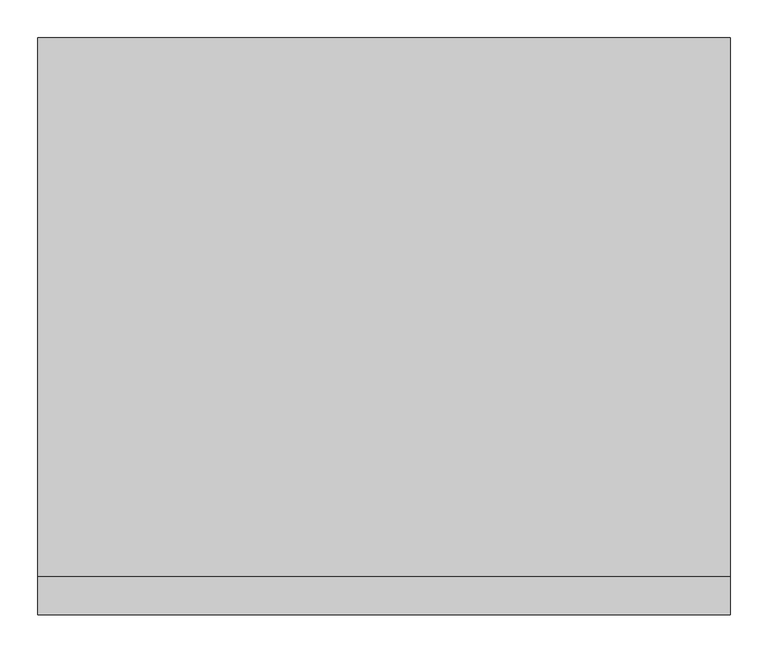
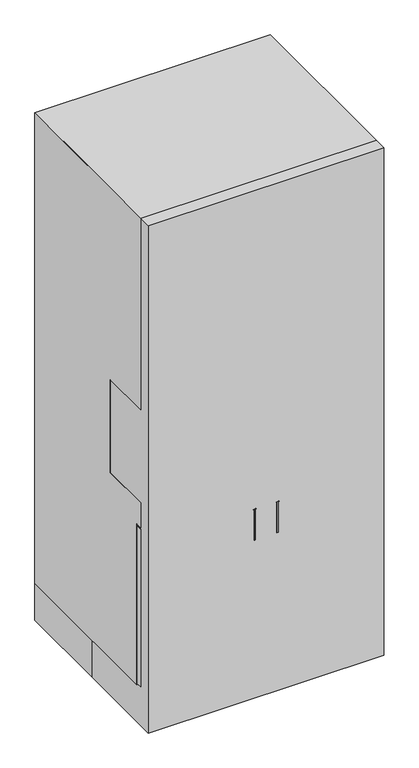
"""IFC4 building model written with IfcOpenShell, lengths in millimetres: proxy geometry."""

from ifc_helpers import new_model, si_unit, point, frame, frame_2d, origin, origin_with_axes, place, context, project, spatial, polyline, circle_curve, ellipse_curve, trimmed, segment, composite_curve, outline, extrude, source, transform, mapped, element, save
from ifc_brep_helpers import plane_surface, cylinder_surface, advanced_brep


def specialty_equipment_507c2deb(model_context):
    return source(origin(), model_context, "Body", "SolidModel", [
        extrude(outline(polyline([(371.717148, -154.5495217), (371.717148, -179.9495217), (143.117148, -179.9495217), (143.117148, -154.5495217), (371.717148, -154.5495217)])), frame((0.0, 0.0, 1168.4), z_axis=(0.0, 0.0, 1.0), x_axis=(1.0, 0.0, 0.0)), (0.0, 0.0, 1.0), 127.0),
        extrude(outline(polyline([(219.317148, -355.6), (143.117148, -355.6), (143.117148, -330.2), (219.317148, -330.2), (219.317148, -355.6)])), frame((0.0, 0.0, 1409.1166832), z_axis=(0.0, 0.0, 1.0), x_axis=(1.0, 0.0, 0.0)), (0.0, 0.0, 1.0), 25.4),
        extrude(outline(polyline([(371.717148, -355.6), (295.517148, -355.6), (295.517148, -330.2), (371.717148, -330.2), (371.717148, -355.6)])), frame((0.0, 0.0, 1409.1166832), z_axis=(0.0, 0.0, 1.0), x_axis=(1.0, 0.0, 0.0)), (0.0, 0.0, 1.0), 25.4),
        advanced_brep(
        [(44.45, -330.2, 749.3), (44.45, -330.2, 774.7), (44.45, -381.0, 774.7), (44.45, -355.6, 749.3), (44.45, -381.0, 647.7), (44.45, -355.6, 673.1), (44.45, -330.2, 673.1), (44.45, -330.2, 647.7)],
        [
            (0, 1, circle_curve(frame((44.45, -330.2, 762.0), z_axis=(0.0, 1.0, 0.0), x_axis=(0.0, 0.0, 1.0)), 12.7)),
            (1, 0, circle_curve(frame((44.45, -330.2, 762.0), z_axis=(0.0, 1.0, 0.0), x_axis=(0.0, 0.0, 1.0)), 12.7)),
            (1, 2),
            (2, 3, ellipse_curve(frame((44.45, -368.3, 762.0), z_axis=(0.0, 0.7071067811865498, 0.7071067811865451), x_axis=(0.0, 0.7071067811865452, -0.7071067811865498)), 17.9605122, 12.7)),
            (3, 0),
            (3, 2, ellipse_curve(frame((44.45, -368.3, 762.0), z_axis=(0.0, 0.7071067811865498, 0.7071067811865451), x_axis=(0.0, 0.7071067811865452, -0.7071067811865498)), 17.9605122, 12.7)),
            (2, 4),
            (4, 5, ellipse_curve(frame((44.45, -368.3, 660.4), z_axis=(0.0, -0.7071067811865451, 0.7071067811865498), x_axis=(0.0, 0.7071067811865497, 0.7071067811865452)), 17.9605122, 12.7)),
            (5, 3),
            (5, 4, ellipse_curve(frame((44.45, -368.3, 660.4), z_axis=(0.0, -0.7071067811865451, 0.7071067811865498), x_axis=(0.0, 0.7071067811865497, 0.7071067811865452)), 17.9605122, 12.7)),
            (6, 7, circle_curve(frame((44.45, -330.2, 660.4), z_axis=(0.0, 1.0, 0.0), x_axis=(0.0, 0.0, -1.0)), 12.7)),
            (7, 6, circle_curve(frame((44.45, -330.2, 660.4), z_axis=(0.0, 1.0, 0.0), x_axis=(0.0, 0.0, -1.0)), 12.7)),
            (4, 7),
            (6, 5),
        ],
        [
            plane_surface(frame((0.0, -330.2, 762.0), z_axis=(0.0, 1.0, 0.0), x_axis=(-1.0, 0.0, 0.0))),
            cylinder_surface(frame((44.45, -330.2, 762.0), z_axis=(0.0, 1.0, 0.0), x_axis=(0.0, 0.0, 1.0)), 12.7),
            cylinder_surface(frame((44.45, -368.3, 762.0), z_axis=(0.0, 0.0, 1.0), x_axis=(0.0, -1.0, 0.0)), 12.7),
            plane_surface(frame((0.0, -330.2, 660.4), z_axis=(0.0, 1.0, 0.0), x_axis=(-1.0, 0.0, 0.0))),
            cylinder_surface(frame((44.45, -368.3, 660.4), z_axis=(0.0, -1.0, 0.0), x_axis=(0.0, 0.0, -1.0)), 12.7),
        ],
        [
            (0, [[1, 2]]),
            (1, [[-2, 3, 4, 5]]),
            (1, [[-1, -5, 6, -3]]),
            (2, [[-4, 7, 8, 9]]),
            (2, [[-6, -9, 10, -7]]),
            (3, [[11, 12]]),
            (4, [[-8, 13, -11, 14]]),
            (4, [[-10, -14, -12, -13]]),
        ],
    ),
        extrude(outline(polyline([(6.35, -330.2), (6.35, -304.8), (457.2, -304.8), (457.2, -330.2), (6.35, -330.2)])), frame((0.0, 0.0, 158.75), z_axis=(0.0, 0.0, 1.0), x_axis=(1.0, 0.0, 0.0)), (0.0, 0.0, 1.0), 647.7),
        advanced_brep(
        [(-44.45, -330.2, 774.7), (-44.45, -330.2, 749.3), (-44.45, -381.0, 774.7), (-44.45, -355.6, 749.3), (-44.45, -381.0, 647.7), (-44.45, -355.6, 673.1), (-44.45, -330.2, 647.7), (-44.45, -330.2, 673.1)],
        [
            (0, 1, circle_curve(frame((-44.45, -330.2, 762.0), z_axis=(0.0, 1.0, 0.0), x_axis=(0.0, 0.0, -1.0)), 12.7)),
            (1, 0, circle_curve(frame((-44.45, -330.2, 762.0), z_axis=(0.0, 1.0, 0.0), x_axis=(0.0, 0.0, -1.0)), 12.7)),
            (0, 2),
            (2, 3, ellipse_curve(frame((-44.45, -368.3, 762.0), z_axis=(0.0, 0.7071067811865498, 0.7071067811865451), x_axis=(0.0, 0.7071067811865452, -0.7071067811865498)), 17.9605122, 12.7)),
            (3, 1),
            (3, 2, ellipse_curve(frame((-44.45, -368.3, 762.0), z_axis=(0.0, 0.7071067811865498, 0.7071067811865451), x_axis=(0.0, 0.7071067811865452, -0.7071067811865498)), 17.9605122, 12.7)),
            (2, 4),
            (4, 5, ellipse_curve(frame((-44.45, -368.3, 660.4), z_axis=(0.0, -0.7071067811865451, 0.7071067811865498), x_axis=(0.0, 0.7071067811865497, 0.7071067811865452)), 17.9605122, 12.7)),
            (5, 3),
            (5, 4, ellipse_curve(frame((-44.45, -368.3, 660.4), z_axis=(0.0, -0.7071067811865451, 0.7071067811865498), x_axis=(0.0, 0.7071067811865497, 0.7071067811865452)), 17.9605122, 12.7)),
            (6, 7, circle_curve(frame((-44.45, -330.2, 660.4), z_axis=(0.0, 1.0, 0.0), x_axis=(0.0, 0.0, 1.0)), 12.7)),
            (7, 6, circle_curve(frame((-44.45, -330.2, 660.4), z_axis=(0.0, 1.0, 0.0), x_axis=(0.0, 0.0, 1.0)), 12.7)),
            (4, 6),
            (7, 5),
        ],
        [
            plane_surface(frame((0.0, -330.2, 762.0), z_axis=(0.0, 1.0, 0.0), x_axis=(1.0, 0.0, 0.0))),
            cylinder_surface(frame((-44.45, -330.2, 762.0), z_axis=(0.0, 1.0, 0.0), x_axis=(0.0, 0.0, -1.0)), 12.7),
            cylinder_surface(frame((-44.45, -368.3, 762.0), z_axis=(0.0, 0.0, 1.0), x_axis=(0.0, 1.0, 0.0)), 12.7),
            plane_surface(frame((0.0, -330.2, 660.4), z_axis=(0.0, 1.0, 0.0), x_axis=(1.0, 0.0, 0.0))),
            cylinder_surface(frame((-44.45, -368.3, 660.4), z_axis=(0.0, -1.0, 0.0), x_axis=(0.0, 0.0, 1.0)), 12.7),
        ],
        [
            (0, [[1, 2]]),
            (1, [[-1, 3, 4, 5]]),
            (1, [[-2, -5, 6, -3]]),
            (2, [[-4, 7, 8, 9]]),
            (2, [[-6, -9, 10, -7]]),
            (3, [[11, 12]]),
            (4, [[-8, 13, -12, 14]]),
            (4, [[-10, -14, -11, -13]]),
        ],
    ),
        extrude(outline(polyline([(-7.3076684, -304.8), (-7.3076684, -330.2), (-457.2, -330.2), (-457.2, -304.8), (-7.3076684, -304.8)])), frame((0.0, 0.0, 158.75), z_axis=(0.0, 0.0, 1.0), x_axis=(1.0, 0.0, 0.0)), (0.0, 0.0, 1.0), 647.7),
        extrude(outline(polyline([(381.0, 152.4), (270.3252887, 152.4), (-304.8, 152.4), (-304.8, 812.8), (-330.2, 812.8), (-330.2, 914.4), (-127.0, 914.4), (-127.0, 1295.4), (-330.2, 1295.4), (-330.2, 2082.8), (381.0, 2082.8), (381.0, 152.4)])), frame((-457.2, 0.0, 0.0), z_axis=(1.0, 0.0, 0.0), x_axis=(0.0, 1.0, 0.0)), (0.0, 0.0, 1.0), 914.4),
        extrude(outline(composite_curve([segment(trimmed(circle_curve(frame_2d((340.7192507, -231.3247113)), 25.4), [point((315.3192507, -231.3247113))], [point((366.1192507, -231.3247113))], False, "CARTESIAN"), True, "CONTINUOUS"), segment(trimmed(circle_curve(frame_2d((340.7192507, -231.3247113)), 25.4), [point((366.1192507, -231.3247113))], [point((315.3192507, -231.3247113))], False, "CARTESIAN"), True, "CONTINUOUS")], self_intersect=False)), frame((0.0, 0.0, 25.4), z_axis=(0.0, 0.0, 1.0), x_axis=(1.0, 0.0, 0.0)), (0.0, 0.0, 1.0), 127.0),
        extrude(outline(composite_curve([segment(trimmed(circle_curve(frame_2d((340.7192507, -231.3247113)), 50.8), [point((289.9192507, -231.3247113))], [point((391.5192507, -231.3247113))], False, "CARTESIAN"), True, "CONTINUOUS"), segment(trimmed(circle_curve(frame_2d((340.7192507, -231.3247113)), 50.8), [point((391.5192507, -231.3247113))], [point((289.9192507, -231.3247113))], False, "CARTESIAN"), True, "CONTINUOUS")], self_intersect=False)), origin_with_axes(), (0.0, 0.0, 1.0), 25.4),
        extrude(outline(composite_curve([segment(trimmed(circle_curve(frame_2d((-351.4307493, -231.3247113)), 25.4), [point((-376.8307493, -231.3247113))], [point((-326.0307493, -231.3247113))], False, "CARTESIAN"), True, "CONTINUOUS"), segment(trimmed(circle_curve(frame_2d((-351.4307493, -231.3247113)), 25.4), [point((-326.0307493, -231.3247113))], [point((-376.8307493, -231.3247113))], False, "CARTESIAN"), True, "CONTINUOUS")], self_intersect=False)), frame((0.0, 0.0, 25.4), z_axis=(0.0, 0.0, 1.0), x_axis=(1.0, 0.0, 0.0)), (0.0, 0.0, 1.0), 127.0),
        extrude(outline(composite_curve([segment(trimmed(circle_curve(frame_2d((-351.4307493, -231.3247113)), 50.8), [point((-402.2307493, -231.3247113))], [point((-300.6307493, -231.3247113))], False, "CARTESIAN"), True, "CONTINUOUS"), segment(trimmed(circle_curve(frame_2d((-351.4307493, -231.3247113)), 50.8), [point((-300.6307493, -231.3247113))], [point((-402.2307493, -231.3247113))], False, "CARTESIAN"), True, "CONTINUOUS")], self_intersect=False)), origin_with_axes(), (0.0, 0.0, 1.0), 25.4),
        extrude(outline(composite_curve([segment(trimmed(circle_curve(frame_2d((340.7192507, 295.7252887)), 25.4), [point((315.3192507, 295.7252887))], [point((366.1192507, 295.7252887))], False, "CARTESIAN"), True, "CONTINUOUS"), segment(trimmed(circle_curve(frame_2d((340.7192507, 295.7252887)), 25.4), [point((366.1192507, 295.7252887))], [point((315.3192507, 295.7252887))], False, "CARTESIAN"), True, "CONTINUOUS")], self_intersect=False)), frame((0.0, 0.0, 25.4), z_axis=(0.0, 0.0, 1.0), x_axis=(1.0, 0.0, 0.0)), (0.0, 0.0, 1.0), 127.0),
        extrude(outline(composite_curve([segment(trimmed(circle_curve(frame_2d((340.7192507, 295.7252887)), 50.8), [point((289.9192507, 295.7252887))], [point((391.5192507, 295.7252887))], False, "CARTESIAN"), True, "CONTINUOUS"), segment(trimmed(circle_curve(frame_2d((340.7192507, 295.7252887)), 50.8), [point((391.5192507, 295.7252887))], [point((289.9192507, 295.7252887))], False, "CARTESIAN"), True, "CONTINUOUS")], self_intersect=False)), origin_with_axes(), (0.0, 0.0, 1.0), 25.4),
        extrude(outline(composite_curve([segment(trimmed(circle_curve(frame_2d((-351.4307493, 295.7252887)), 25.4), [point((-376.8307493, 295.7252887))], [point((-326.0307493, 295.7252887))], False, "CARTESIAN"), True, "CONTINUOUS"), segment(trimmed(circle_curve(frame_2d((-351.4307493, 295.7252887)), 25.4), [point((-326.0307493, 295.7252887))], [point((-376.8307493, 295.7252887))], False, "CARTESIAN"), True, "CONTINUOUS")], self_intersect=False)), frame((0.0, 0.0, 25.4), z_axis=(0.0, 0.0, 1.0), x_axis=(1.0, 0.0, 0.0)), (0.0, 0.0, 1.0), 127.0),
        extrude(outline(composite_curve([segment(trimmed(circle_curve(frame_2d((-351.4307493, 295.7252887)), 50.8), [point((-402.2307493, 295.7252887))], [point((-300.6307493, 295.7252887))], False, "CARTESIAN"), True, "CONTINUOUS"), segment(trimmed(circle_curve(frame_2d((-351.4307493, 295.7252887)), 50.8), [point((-300.6307493, 295.7252887))], [point((-402.2307493, 295.7252887))], False, "CARTESIAN"), True, "CONTINUOUS")], self_intersect=False)), origin_with_axes(), (0.0, 0.0, 1.0), 25.4),
        extrude(outline(polyline([(-457.2, 381.0), (457.2, 381.0), (457.2, -381.0), (-457.2, -381.0), (-457.2, 0.0), (-457.2, 381.0)])), origin_with_axes(), (0.0, 0.0, 1.0), 2082.8),
    ])


if __name__ == "__main__":
    model = new_model("IFC4")
    model_context = context("Model", 3, world=origin())
    ifc_project = project(units=[si_unit("LENGTHUNIT", "METRE", prefix="MILLI")], contexts=[model_context])
    site = spatial("IfcSite", under=ifc_project)
    building = spatial("IfcBuilding", under=site)
    placement = place(None, origin())
    specialty_equipment_shape = specialty_equipment_507c2deb(model_context)
    element("IfcBuildingElementProxy", 1, Name="Specialty Equipment", at=placement, inside=building, context=model_context, shape_type="MappedRepresentation", body=[
        mapped(specialty_equipment_shape, transform((0.0, 0.0, 0.0), x_axis=(1.0, 0.0, 0.0), y_axis=(0.0, 1.0, 0.0), z_axis=(0.0, 0.0, 1.0))),
    ])
    save(model, "model.ifc")
